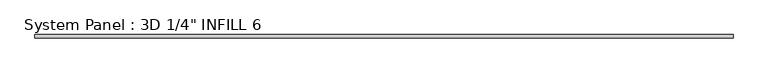
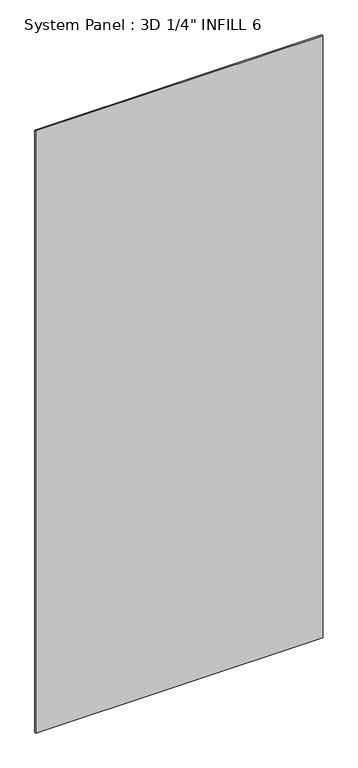
"""IFC4 building model written with IfcOpenShell, lengths in millimetres: plate geometry."""

import ifcopenshell
import ifcopenshell.guid

model = None  # the IFC model being written
_history = None  # IfcOwnerHistory: only IFC2X3 demands one
_inside = {}  # id of a spatial element -> (the spatial element, [elements in it])
_under = {}  # id of a project, library or spatial element -> (it, [spatial elements below it])
_declared = {}  # id of a project -> (the project, [libraries it declares])
_typed = {}  # id of a type object -> (the type object, [elements of that type])
_made_of = {}  # id of a material, layer set ... -> (it, [elements and type objects made of it])


def new_model(schema):
    """Start an empty IFC model of exactly this schema.

    Asked for "IFC4X3", IfcOpenShell would pick the latest addendum, in which some entities
    have other attributes; the version numbers below select the first issue.
    IFC2X3 requires an IfcOwnerHistory on every rooted entity: one is made here for all.
    """
    global model, _history
    if schema == "IFC4X3":
        model = ifcopenshell.file(schema_version=(4, 3, 0, 0))
    else:
        model = ifcopenshell.file(schema=schema)
    _inside.clear()
    _under.clear()
    _declared.clear()
    _typed.clear()
    _made_of.clear()
    _history = None
    if model.schema == "IFC2X3":
        org = make("IfcOrganization", Name="unknown")
        user = make(
            "IfcPersonAndOrganization",
            ThePerson=make("IfcPerson", FamilyName="unknown"),
            TheOrganization=org,
        )
        app = make(
            "IfcApplication",
            ApplicationDeveloper=org,
            Version="unknown",
            ApplicationFullName="unknown",
            ApplicationIdentifier="unknown",
        )
        _history = make(
            "IfcOwnerHistory",
            OwningUser=user,
            OwningApplication=app,
            ChangeAction="ADDED",
            CreationDate=0,
        )
    return model


def make(cls, **values):
    """One entity of the class cls with the attributes given. An attribute that is None is left unset."""
    return model.create_entity(
        cls, **{name: value for name, value in values.items() if value is not None}
    )


def rooted(cls, **values):
    """An entity with a GlobalId (a new one), such as an element, a storey or a relation."""
    return make(cls, GlobalId=ifcopenshell.guid.new(), OwnerHistory=_history, **values)


def si_unit(unit_type, name, prefix=None):
    """IfcSIUnit, for example si_unit("LENGTHUNIT", "METRE", prefix="MILLI")."""
    return make("IfcSIUnit", UnitType=unit_type, Prefix=prefix, Name=name)


def assignment(units):
    """IfcUnitAssignment: the units of a project."""
    return None if units is None else make("IfcUnitAssignment", Units=units)


def point(xyz):
    """IfcCartesianPoint."""
    return None if xyz is None else make("IfcCartesianPoint", Coordinates=xyz)


def direction(xyz):
    """IfcDirection."""
    return None if xyz is None else make("IfcDirection", DirectionRatios=xyz)


def frame(location, z_axis=None, x_axis=None):
    """IfcAxis2Placement3D, a coordinate frame: its origin and axes. An axis left out is left unset."""
    return make(
        "IfcAxis2Placement3D",
        Location=point(location),
        Axis=direction(z_axis),
        RefDirection=direction(x_axis),
    )


def origin():
    """The frame at (0, 0, 0) with its axes left unset."""
    return frame((0.0, 0.0, 0.0))


def origin_with_axes():
    """The frame at (0, 0, 0) with the z axis (0, 0, 1) and the x axis (1, 0, 0) written out."""
    return frame((0.0, 0.0, 0.0), z_axis=(0.0, 0.0, 1.0), x_axis=(1.0, 0.0, 0.0))


def place(relative_to, where):
    """IfcLocalPlacement: puts the frame where relative to a parent placement (None: the world)."""
    return make(
        "IfcLocalPlacement", PlacementRelTo=relative_to, RelativePlacement=where
    )


def context(
    kind, dimensions, precision=None, world=None, true_north=None, identifier=None
):
    """IfcGeometricRepresentationContext, for example the 3D "Model" context."""
    return make(
        "IfcGeometricRepresentationContext",
        ContextIdentifier=identifier,
        ContextType=kind,
        CoordinateSpaceDimension=dimensions,
        Precision=precision,
        WorldCoordinateSystem=world,
        TrueNorth=true_north,
    )


def project(units=None, contexts=None):
    """IfcProject with its units and contexts."""
    return rooted(
        "IfcProject",
        Name="project",
        RepresentationContexts=contexts,
        UnitsInContext=assignment(units),
    )


def spatial(cls, under=None, at=None, **own):
    """A site, building, storey or space (cls), placed at a placement, below another one or the project."""
    s = rooted(cls, ObjectPlacement=at, **own)
    if under is not None:
        _under.setdefault(under.id(), (under, []))[1].append(s)
    return s


def polyline(points):
    """IfcPolyline through the points."""
    return make("IfcPolyline", Points=[point(p) for p in points])


def outline(outer, holes=None, kind="AREA"):
    """IfcArbitraryClosedProfileDef: a profile drawn as a closed curve; with holes, ...WithVoids."""
    if holes is None:
        return make("IfcArbitraryClosedProfileDef", ProfileType=kind, OuterCurve=outer)
    return make(
        "IfcArbitraryProfileDefWithVoids",
        ProfileType=kind,
        OuterCurve=outer,
        InnerCurves=holes,
    )


def extrude(swept, where, along, depth):
    """IfcExtrudedAreaSolid: the profile swept, set in the frame where, extruded along a direction by depth."""
    return make(
        "IfcExtrudedAreaSolid",
        SweptArea=swept,
        Position=where,
        ExtrudedDirection=direction(along),
        Depth=depth,
    )


def shape(context_of_items, identifier, shape_type, items):
    """IfcShapeRepresentation: the items that make up one representation, for example the "Body"."""
    return make(
        "IfcShapeRepresentation",
        ContextOfItems=context_of_items,
        RepresentationIdentifier=identifier,
        RepresentationType=shape_type,
        Items=items,
    )


def source(mapping_origin, context_of_items, identifier, shape_type, items):
    """IfcRepresentationMap: a shape defined once, which mapped items show again and again."""
    return make(
        "IfcRepresentationMap",
        MappingOrigin=mapping_origin,
        MappedRepresentation=shape(context_of_items, identifier, shape_type, items),
    )


def transform(
    local_origin,
    x_axis=None,
    y_axis=None,
    z_axis=None,
    scale=None,
    scale2=None,
    scale3=None,
    uniform=True,
):
    """IfcCartesianTransformationOperator3D, or its non-uniform kind. x_axis, y_axis, z_axis: its Axis1, 2, 3."""
    if uniform:
        return make(
            "IfcCartesianTransformationOperator3D",
            Axis1=direction(x_axis),
            Axis2=direction(y_axis),
            LocalOrigin=point(local_origin),
            Scale=scale,
            Axis3=direction(z_axis),
        )
    return make(
        "IfcCartesianTransformationOperator3DnonUniform",
        Axis1=direction(x_axis),
        Axis2=direction(y_axis),
        LocalOrigin=point(local_origin),
        Scale=scale,
        Axis3=direction(z_axis),
        Scale2=scale2,
        Scale3=scale3,
    )


def mapped(mapping_source, mapping_target):
    """IfcMappedItem: shows the shape of a source again, moved by a transform."""
    return make(
        "IfcMappedItem", MappingSource=mapping_source, MappingTarget=mapping_target
    )


def made_of(thing, what):
    """Note that an element or type object is made of a material, layer set ...; save() writes the relation."""
    if what is not None:
        _made_of.setdefault(what.id(), (what, []))[1].append(thing)
    return thing


def element(
    cls,
    number,
    at=None,
    inside=None,
    cuts=None,
    type_object=None,
    material=None,
    context=None,
    identifier="Body",
    shape_type=None,
    held_by="IfcProductDefinitionShape",
    body=None,
    shapes=None,
    **own,
):
    """One element of the class cls, such as IfcWall. Its Tag is "e" and its number.

    at: its placement. inside: the storey or other place that contains it. cuts: it is an
    opening in that element (IfcRelVoidsElement). A single representation is given by context,
    identifier, shape_type and body (its items); several are given by shapes. held_by: the class
    of the entity that holds the representations. save() writes the other relations.
    """
    e = rooted(cls, Tag="e%d" % number, ObjectPlacement=at, **own)
    if body is not None:
        shapes = [shape(context, identifier, shape_type, body)]
    if shapes is not None:
        e.Representation = make(held_by, Representations=shapes)
    if inside is not None:
        _inside.setdefault(inside.id(), (inside, []))[1].append(e)
    if cuts is not None:
        rooted(
            "IfcRelVoidsElement", RelatingBuildingElement=cuts, RelatedOpeningElement=e
        )
    if type_object is not None:
        _typed.setdefault(type_object.id(), (type_object, []))[1].append(e)
    return made_of(e, material)


def aggregate(whole, parts):
    """IfcRelAggregates: a whole, such as a stair, and the parts it consists of."""
    return rooted("IfcRelAggregates", RelatingObject=whole, RelatedObjects=parts)


def save(model, path):
    """Write the relations noted so far, then the file.

    IfcRelAggregates (storeys below a building ...), IfcRelContainedInSpatialStructure (elements
    in a storey), IfcRelDefinesByType, IfcRelAssociatesMaterial and IfcRelDeclares: one each for
    every whole, place, type object, material and project.
    """
    for whole, parts in _under.values():
        aggregate(whole, parts)
    for where, things in _inside.values():
        rooted(
            "IfcRelContainedInSpatialStructure",
            RelatedElements=things,
            RelatingStructure=where,
        )
    for kind, things in _typed.values():
        rooted("IfcRelDefinesByType", RelatedObjects=things, RelatingType=kind)
    for what, things in _made_of.values():
        rooted("IfcRelAssociatesMaterial", RelatedObjects=things, RelatingMaterial=what)
    for by, libraries in _declared.values():
        rooted("IfcRelDeclares", RelatingContext=by, RelatedDefinitions=libraries)
    model.write(path)


def plate_e019307e(model_context):
    return source(origin(), model_context, "Body", "SweptSolid", [
        extrude(outline(polyline([(688.288337, -6.35), (-688.288337, -6.35), (-688.288337, 0.0), (688.288337, 0.0), (688.288337, -6.35)])), origin_with_axes(), (0.0, 0.0, 1.0), 3048.0),
    ])


if __name__ == "__main__":
    model = new_model("IFC4")
    model_context = context("Model", 3, world=origin())
    ifc_project = project(units=[si_unit("LENGTHUNIT", "METRE", prefix="MILLI")], contexts=[model_context])
    site = spatial("IfcSite", under=ifc_project)
    building = spatial("IfcBuilding", under=site)
    placement = place(None, origin())
    plate_shape = plate_e019307e(model_context)
    element("IfcPlate", 1, ObjectType="System Panel : 3D 1/4\" INFILL 6", at=placement, inside=building, context=model_context, shape_type="MappedRepresentation", body=[
        mapped(plate_shape, transform((0.0, 0.0, 0.0), x_axis=(1.0, 0.0, 0.0), y_axis=(0.0, 1.0, 0.0), z_axis=(0.0, 0.0, 1.0))),
    ])
    save(model, "model.ifc")
